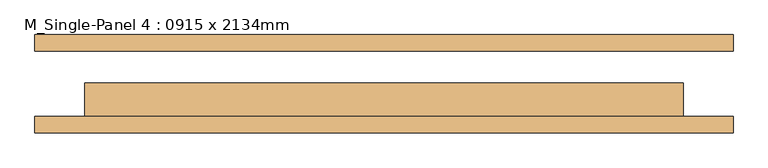
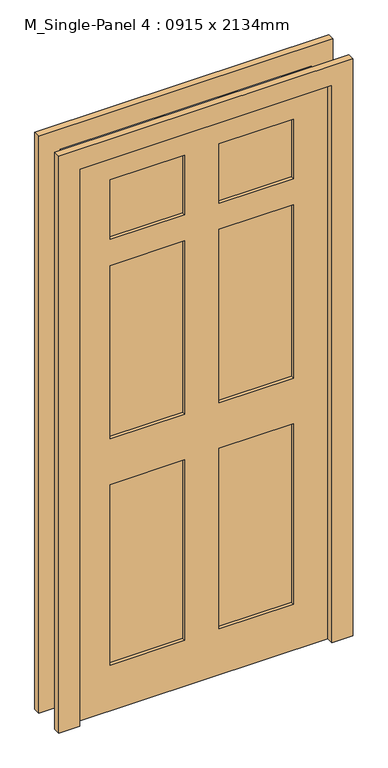
"""IFC4 building model written with IfcOpenShell, lengths in millimetres: door geometry, M_Single-Panel 4 : 0915 x 2134mm."""

from ifc_helpers import new_model, si_unit, frame, origin, place, context, project, spatial, polyline, outline, extrude, source, transform, mapped, element, save


def m_single_panel_4_0915_x_2134mm_3fe0f960(model_context):
    return source(origin(), model_context, "Body", "SweptSolid", [
        extrude(outline(polyline([(0.0, -533.5), (0.0, -457.5), (2134.0, -457.5), (2134.0, 457.5), (0.0, 457.5), (0.0, 533.5), (2210.0, 533.5), (2210.0, -533.5), (0.0, -533.5)])), frame((0.0, 50.0, 0.0), z_axis=(0.0, 1.0, 0.0), x_axis=(0.0, 0.0, 1.0)), (0.0, 0.0, 1.0), 25.0),
        extrude(outline(polyline([(0.0, 533.5), (2210.0, 533.5), (2210.0, -533.5), (0.0, -533.5), (0.0, -457.5), (2134.0, -457.5), (2134.0, 457.5), (0.0, 457.5), (0.0, 533.5)])), frame((0.0, -75.4, 0.0), z_axis=(0.0, 1.0, 0.0), x_axis=(0.0, 0.0, 1.0)), (0.0, 0.0, 1.0), 25.0),
        extrude(outline(polyline([(-62.5, -11.7), (-62.5, -37.3), (-332.5, -37.3), (-332.5, -11.7), (-62.5, -11.7)])), frame((0.0, 0.0, 1805.4), z_axis=(0.0, 0.0, 1.0), x_axis=(1.0, 0.0, 0.0)), (0.0, 0.0, 1.0), 228.6),
        extrude(outline(polyline([(332.5, -11.7), (332.5, -37.3), (62.5, -37.3), (62.5, -11.7), (332.5, -11.7)])), frame((0.0, 0.0, 1805.4), z_axis=(0.0, 0.0, 1.0), x_axis=(1.0, 0.0, 0.0)), (0.0, 0.0, 1.0), 228.6),
        extrude(outline(polyline([(-62.5, -11.7), (-62.5, -37.3), (-332.5, -37.3), (-332.5, -11.7), (-62.5, -11.7)])), frame((0.0, 0.0, 1041.4), z_axis=(0.0, 0.0, 1.0), x_axis=(1.0, 0.0, 0.0)), (0.0, 0.0, 1.0), 664.0),
        extrude(outline(polyline([(332.5, -11.7), (332.5, -37.3), (62.5, -37.3), (62.5, -11.7), (332.5, -11.7)])), frame((0.0, 0.0, 1041.4), z_axis=(0.0, 0.0, 1.0), x_axis=(1.0, 0.0, 0.0)), (0.0, 0.0, 1.0), 664.0),
        extrude(outline(polyline([(-62.5, -11.7), (-62.5, -37.3), (-332.5, -37.3), (-332.5, -11.7), (-62.5, -11.7)])), frame((0.0, 0.0, 175.0), z_axis=(0.0, 0.0, 1.0), x_axis=(1.0, 0.0, 0.0)), (0.0, 0.0, 1.0), 691.4),
        extrude(outline(polyline([(332.5, -11.7), (332.5, -37.3), (62.5, -37.3), (62.5, -11.7), (332.5, -11.7)])), frame((0.0, 0.0, 175.0), z_axis=(0.0, 0.0, 1.0), x_axis=(1.0, 0.0, 0.0)), (0.0, 0.0, 1.0), 691.4),
        extrude(outline(polyline([(2134.0, 457.5), (2134.0, -457.5), (0.0, -457.5), (0.0, 457.5), (2134.0, 457.5)]), holes=[polyline([(2034.0, -62.5), (1805.4, -62.5), (1805.4, -332.5), (2034.0, -332.5), (2034.0, -62.5)]), polyline([(2034.0, 332.5), (1805.4, 332.5), (1805.4, 62.5), (2034.0, 62.5), (2034.0, 332.5)]), polyline([(1705.4, -62.5), (1041.4, -62.5), (1041.4, -332.5), (1705.4, -332.5), (1705.4, -62.5)]), polyline([(1705.4, 332.5), (1041.4, 332.5), (1041.4, 62.5), (1705.4, 62.5), (1705.4, 332.5)]), polyline([(866.4, -62.5), (175.0, -62.5), (175.0, -332.5), (866.4, -332.5), (866.4, -62.5)]), polyline([(866.4, 332.5), (175.0, 332.5), (175.0, 62.5), (866.4, 62.5), (866.4, 332.5)])]), frame((0.0, -50.0, 0.0), z_axis=(0.0, 1.0, 0.0), x_axis=(0.0, 0.0, 1.0)), (0.0, 0.0, 1.0), 51.0),
    ])


if __name__ == "__main__":
    model = new_model("IFC4")
    model_context = context("Model", 3, world=origin())
    ifc_project = project(units=[si_unit("LENGTHUNIT", "METRE", prefix="MILLI")], contexts=[model_context])
    site = spatial("IfcSite", under=ifc_project)
    building = spatial("IfcBuilding", under=site)
    placement = place(None, origin())
    m_single_panel_4_0915_x_2134mm_shape = m_single_panel_4_0915_x_2134mm_3fe0f960(model_context)
    element("IfcDoor", 1, ObjectType="M_Single-Panel 4 : 0915 x 2134mm", at=placement, inside=building, context=model_context, shape_type="MappedRepresentation", body=[
        mapped(m_single_panel_4_0915_x_2134mm_shape, transform((0.0, 0.0, 0.0), x_axis=(1.0, 0.0, 0.0), y_axis=(0.0, 1.0, 0.0), z_axis=(0.0, 0.0, 1.0))),
    ])
    save(model, "model.ifc")
